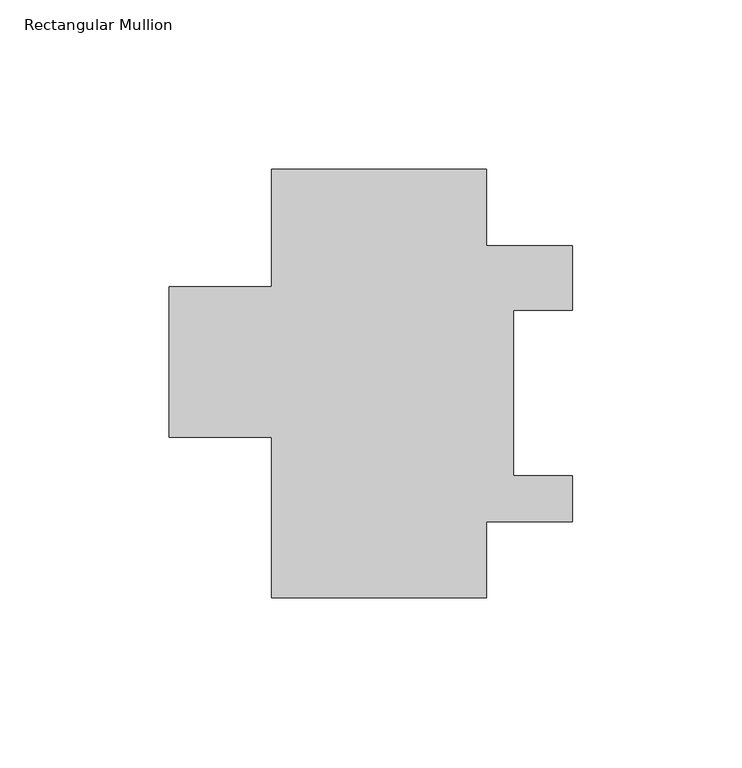
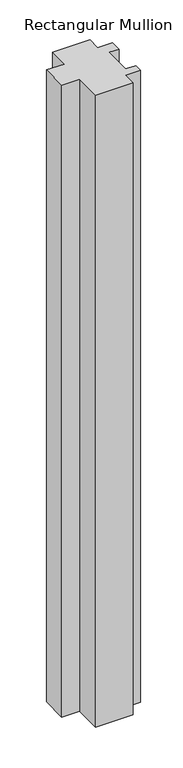
"""IFC4 building model written with IfcOpenShell, lengths in millimetres: member geometry, Rectangular Mullion."""

from ifc_helpers import new_model, si_unit, frame, origin, place, context, project, spatial, polyline, outline, extrude, source, transform, mapped, element, save


def rectangular_mullion_2b8bc713(model_context):
    return source(origin(), model_context, "Body", "SweptSolid", [
        extrude(outline(polyline([(0.0, 126.349125), (0.0, 103.793925), (25.4, 103.793925), (25.4, 84.743925), (7.9248, 84.743925), (7.9248, 35.925125), (25.4, 35.925125), (25.4, 22.412325), (0.0, 22.412325), (0.0, -0.142875), (-63.5, -0.142875), (-63.5, 47.228125), (-93.6752, 47.228125), (-93.6752, 91.678125), (-63.5, 91.678125), (-63.5, 126.349125), (0.0, 126.349125)])), frame((0.0, 0.0, -1130.3), z_axis=(0.0, 0.0, 1.0), x_axis=(1.0, 0.0, 0.0)), (0.0, 0.0, 1.0), 1130.3),
    ])


if __name__ == "__main__":
    model = new_model("IFC4")
    model_context = context("Model", 3, world=origin())
    ifc_project = project(units=[si_unit("LENGTHUNIT", "METRE", prefix="MILLI")], contexts=[model_context])
    site = spatial("IfcSite", under=ifc_project)
    building = spatial("IfcBuilding", under=site)
    placement = place(None, origin())
    rectangular_mullion_shape = rectangular_mullion_2b8bc713(model_context)
    element("IfcMember", 1, ObjectType="Rectangular Mullion", at=placement, inside=building, context=model_context, shape_type="MappedRepresentation", body=[
        mapped(rectangular_mullion_shape, transform((0.0, 0.0, 0.0), x_axis=(1.0, 0.0, 0.0), y_axis=(0.0, 1.0, 0.0), z_axis=(0.0, 0.0, 1.0))),
    ])
    save(model, "model.ifc")
